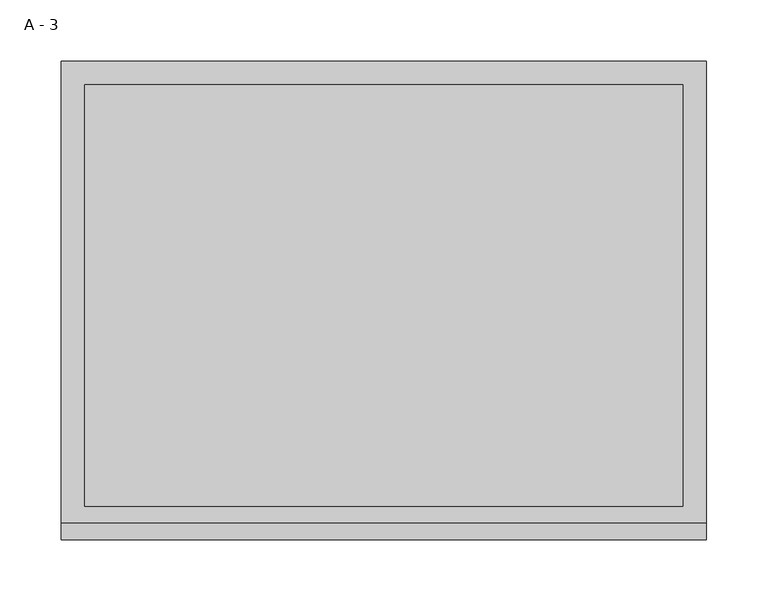
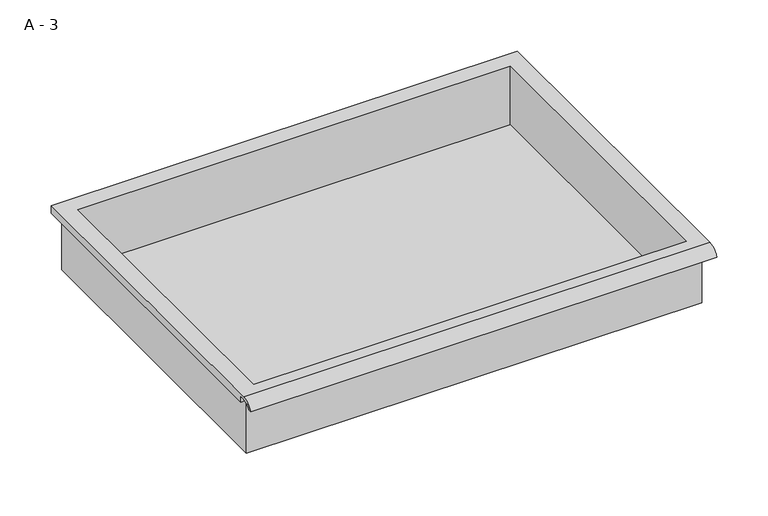
"""IFC4 building model written with IfcOpenShell, lengths in millimetres: furniture geometry, A - 3."""

from ifc_helpers import new_model, si_unit, frame, origin, place, context, project, spatial, polyline, circle_curve, source, transform, mapped, element, save
from ifc_brep_helpers import plane_surface, cylinder_surface, revolved_surface, advanced_brep


def a_3_c5306045(model_context):
    return source(origin(), model_context, "Body", "AdvancedBrep", [
        advanced_brep(
        [(-257.1076517, -176.2125, 717.55), (257.2423483, -176.2125, 717.55), (257.2423483, -176.2125, 781.05), (263.5923483, -176.2125, 781.05), (263.5923483, -176.2125, 787.3571341), (-263.4576517, -176.2125, 787.3571341), (-263.4576517, -176.2125, 781.05), (-257.1076517, -176.2125, 781.05), (257.2423483, 185.7375, 717.55), (-257.1076517, 185.7375, 717.55), (-257.1076517, 185.7375, 781.05), (257.2423483, 185.7375, 781.05), (263.5923483, -181.6070544, 790.575), (263.5923483, 195.2625, 790.575), (-263.4576517, 195.2625, 790.575), (-263.4576517, -181.6070544, 790.575), (244.5423483, -168.275, 790.575), (-244.4076517, -168.275, 790.575), (-244.4076517, 176.2125, 790.575), (244.5423483, 176.2125, 790.575), (263.5923483, -195.2625, 781.05), (263.5923483, -191.8280601, 781.05), (263.5923483, -180.4714815, 787.3571341), (263.5923483, 195.2625, 781.05), (-263.4576517, 195.2625, 781.05), (-263.4576517, -180.4714815, 787.3571341), (-263.4576517, -191.8280601, 781.05), (-263.4576517, -195.2625, 781.05), (-244.4076517, -168.275, 720.5761719), (244.5423483, -168.275, 720.5761719), (244.5423483, 176.2125, 720.5761719), (-244.4076517, 176.2125, 720.5761719)],
        [
            (0, 1),
            (1, 2),
            (2, 3),
            (3, 4),
            (4, 5),
            (5, 6),
            (6, 7),
            (7, 0),
            (8, 9),
            (9, 10),
            (10, 11),
            (11, 8),
            (0, 9),
            (8, 1),
            (11, 2),
            (12, 13),
            (13, 14),
            (14, 15),
            (15, 12),
            (16, 17),
            (17, 18),
            (18, 19),
            (19, 16),
            (7, 10),
            (12, 20, circle_curve(frame((263.5923483, -181.6070544, 776.0239859), z_axis=(1.0, 0.0, 0.0), x_axis=(0.0, 1.0, 0.0)), 14.5510141)),
            (20, 21),
            (21, 22, circle_curve(frame((263.5923483, -181.6070544, 776.0239859), z_axis=(-1.0, 0.0, 0.0), x_axis=(0.0, 1.0, 0.0)), 11.3898979)),
            (22, 4),
            (3, 23),
            (23, 13),
            (14, 24),
            (24, 6),
            (5, 25),
            (25, 26, circle_curve(frame((-263.4576517, -181.6070544, 776.0239859), z_axis=(1.0, 0.0, 0.0), x_axis=(0.0, 1.0, 0.0)), 11.3898979)),
            (26, 27),
            (27, 15, circle_curve(frame((-263.4576517, -181.6070544, 776.0239859), z_axis=(-1.0, 0.0, 0.0), x_axis=(0.0, 1.0, 0.0)), 14.5510141)),
            (27, 20),
            (26, 21),
            (25, 22),
            (24, 23),
            (28, 29),
            (29, 30),
            (30, 31),
            (31, 28),
            (28, 17),
            (16, 29),
            (19, 30),
            (18, 31),
        ],
        [
            plane_surface(frame((257.2423483, -176.2125, 717.55), z_axis=(0.0, -1.0, 0.0), x_axis=(1.0, 0.0, 0.0))),
            plane_surface(frame((257.2423483, 185.7375, 717.55), z_axis=(0.0, 1.0, 0.0), x_axis=(-1.0, 0.0, 0.0))),
            plane_surface(frame((-257.1076517, -176.2125, 717.55), z_axis=(0.0, 0.0, -1.0), x_axis=(0.0, 1.0, 0.0))),
            plane_surface(frame((257.2423483, -176.2125, 717.55), z_axis=(1.0, 0.0, 0.0), x_axis=(0.0, 1.0, 0.0))),
            plane_surface(frame((257.2423483, -176.2125, 790.575), z_axis=(0.0, 0.0, 1.0), x_axis=(0.0, 1.0, 0.0))),
            plane_surface(frame((-257.1076517, -176.2125, 790.575), z_axis=(-1.0, 0.0, 0.0), x_axis=(0.0, 1.0, 0.0))),
            plane_surface(frame((263.5923483, 195.2625, 790.575), z_axis=(1.0, 0.0, 0.0), x_axis=(0.0, -1.0, 0.0))),
            plane_surface(frame((-263.4576517, 195.2625, 790.575), z_axis=(-1.0, 0.0, 0.0), x_axis=(0.0, 1.0, 0.0))),
            cylinder_surface(frame((-263.4576517, -181.6070544, 776.0239859), z_axis=(1.0, 0.0, 0.0), x_axis=(0.0, 1.0, 0.0)), 14.5510141),
            plane_surface(frame((263.5923483, -195.2625, 781.05), z_axis=(0.0, -7.172997036885368e-12, -1.0), x_axis=(-1.0, 0.0, 0.0))),
            revolved_surface(polyline([(-263.4576517, -170.21715650000002, 776.0239859), (263.59234829999997, -170.21715650000002, 776.0239859)]), (-263.4576517, -181.6070544, 776.0239859), (-1.0, 0.0, 0.0)),
            plane_surface(frame((263.5923483, -180.4714815, 787.3571341), z_axis=(0.0, -1.779784652658307e-11, -1.0), x_axis=(-1.0, 0.0, 0.0))),
            plane_surface(frame((263.5923483, -176.2125, 781.05), z_axis=(0.0, 0.0, -1.0), x_axis=(-1.0, 0.0, 0.0))),
            plane_surface(frame((263.5923483, 195.2625, 781.05), z_axis=(0.0, 1.0, 0.0), x_axis=(-1.0, 0.0, 0.0))),
            plane_surface(frame((244.5423483, -168.275, 720.5761719), z_axis=(0.0, 0.0, 1.0), x_axis=(-1.0, 0.0, 0.0))),
            plane_surface(frame((-244.4076517, -168.275, 790.575), z_axis=(0.0, 1.0, 0.0), x_axis=(0.0, 0.0, -1.0))),
            plane_surface(frame((244.5423483, -168.275, 790.575), z_axis=(-1.0, 0.0, 0.0), x_axis=(0.0, 0.0, -1.0))),
            plane_surface(frame((244.5423483, 176.2125, 790.575), z_axis=(0.0, -1.0, 0.0), x_axis=(0.0, 0.0, -1.0))),
            plane_surface(frame((-244.4076517, 176.2125, 790.575), z_axis=(1.0, 0.0, 0.0), x_axis=(0.0, 0.0, -1.0))),
        ],
        [
            (0, [[1, 2, 3, 4, 5, 6, 7, 8]]),
            (1, [[9, 10, 11, 12]]),
            (2, [[-1, 13, -9, 14]]),
            (3, [[-14, -12, 15, -2]]),
            (4, [[16, 17, 18, 19], [20, 21, 22, 23]]),
            (5, [[-13, -8, 24, -10]]),
            (6, [[-16, 25, 26, 27, 28, -4, 29, 30]]),
            (7, [[31, 32, -6, 33, 34, 35, 36, -18]]),
            (8, [[-25, -19, -36, 37]]),
            (9, [[-26, -37, -35, 38]]),
            (10, [[-27, -38, -34, 39]]),
            (11, [[-28, -39, -33, -5]]),
            (12, [[-29, -3, -15, -11, -24, -7, -32, 40]]),
            (13, [[-30, -40, -31, -17]]),
            (14, [[41, 42, 43, 44]]),
            (15, [[-41, 45, -20, 46]]),
            (16, [[-42, -46, -23, 47]]),
            (17, [[-43, -47, -22, 48]]),
            (18, [[-44, -48, -21, -45]]),
        ],
    ),
    ])


if __name__ == "__main__":
    model = new_model("IFC4")
    model_context = context("Model", 3, world=origin())
    ifc_project = project(units=[si_unit("LENGTHUNIT", "METRE", prefix="MILLI")], contexts=[model_context])
    site = spatial("IfcSite", under=ifc_project)
    building = spatial("IfcBuilding", under=site)
    placement = place(None, origin())
    a_3_shape = a_3_c5306045(model_context)
    element("IfcFurniture", 1, ObjectType="A - 3", at=placement, inside=building, context=model_context, shape_type="MappedRepresentation", body=[
        mapped(a_3_shape, transform((0.0, 0.0, 0.0), x_axis=(1.0, 0.0, 0.0), y_axis=(0.0, 1.0, 0.0), z_axis=(0.0, 0.0, 1.0))),
    ])
    save(model, "model.ifc")
